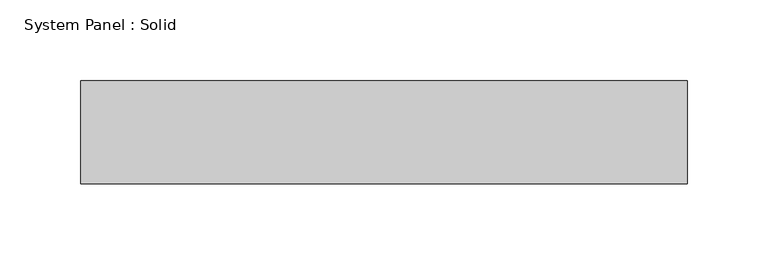
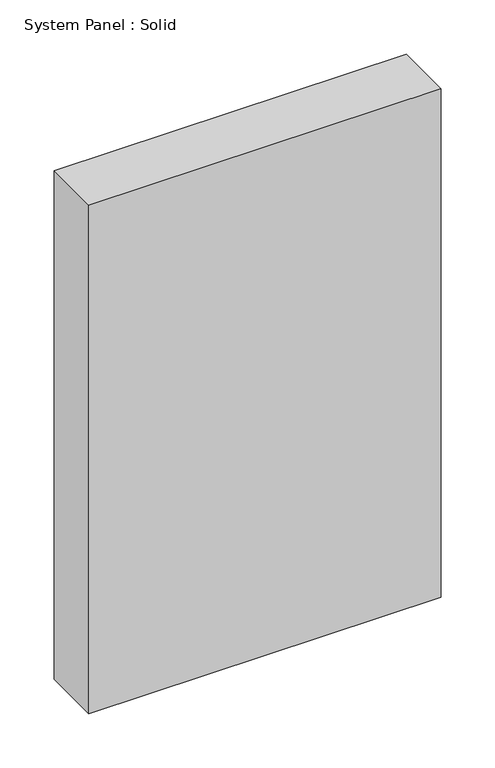
"""IFC4 building model written with IfcOpenShell, lengths in millimetres: plate geometry, System Panel : Solid."""

from ifc_helpers import new_model, si_unit, origin, origin_with_axes, place, context, project, spatial, polyline, outline, extrude, source, transform, mapped, element, save


def system_panel_solid_c4f1637f(model_context):
    return source(origin(), model_context, "Body", "SweptSolid", [
        extrude(outline(polyline([(187.325, -19.05), (-187.325, -19.05), (-187.325, 44.45), (187.325, 44.45), (187.325, -19.05)])), origin_with_axes(), (0.0, 0.0, 1.0), 571.5),
    ])


if __name__ == "__main__":
    model = new_model("IFC4")
    model_context = context("Model", 3, world=origin())
    ifc_project = project(units=[si_unit("LENGTHUNIT", "METRE", prefix="MILLI")], contexts=[model_context])
    site = spatial("IfcSite", under=ifc_project)
    building = spatial("IfcBuilding", under=site)
    placement = place(None, origin())
    system_panel_solid_shape = system_panel_solid_c4f1637f(model_context)
    element("IfcPlate", 1, ObjectType="System Panel : Solid", at=placement, inside=building, context=model_context, shape_type="MappedRepresentation", body=[
        mapped(system_panel_solid_shape, transform((0.0, 0.0, 0.0), x_axis=(1.0, 0.0, 0.0), y_axis=(0.0, 1.0, 0.0), z_axis=(0.0, 0.0, 1.0))),
    ])
    save(model, "model.ifc")
